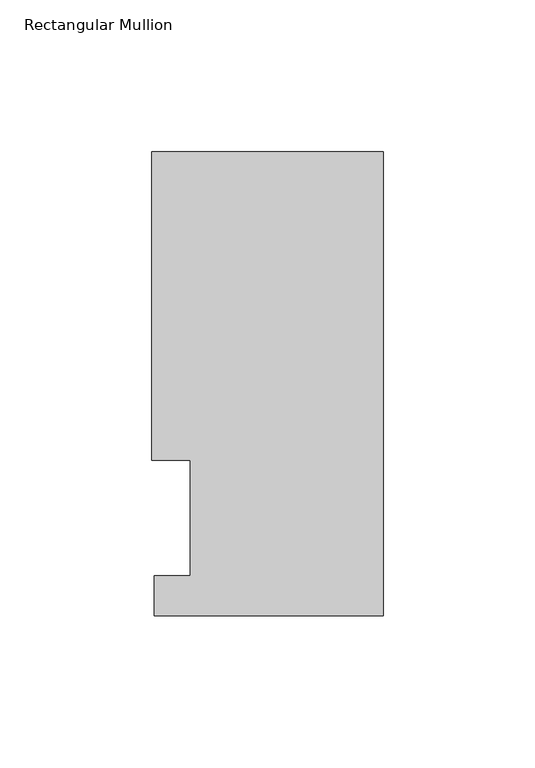
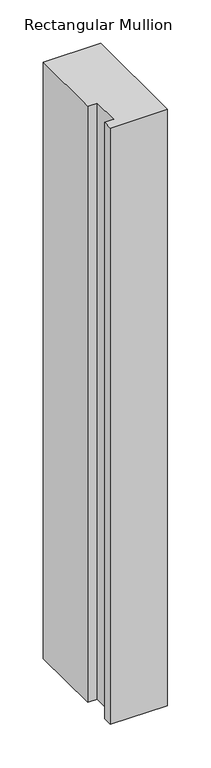
"""IFC4 building model written with IfcOpenShell, lengths in millimetres: member geometry, Rectangular Mullion."""

from ifc_helpers import new_model, si_unit, frame, origin, place, context, project, spatial, polyline, outline, extrude, source, transform, mapped, element, save


def rectangular_mullion_07bcb1c1(model_context):
    return source(origin(), model_context, "Body", "SweptSolid", [
        extrude(outline(polyline([(-76.2, 152.8960938), (0.0, 152.8960938), (0.0, 0.0084138), (-75.4126006, 0.0084138), (-75.4126006, 13.1960937), (-63.4999994, 13.1960937), (-63.4999994, 51.2960938), (-76.2, 51.2960938), (-76.2, 152.8960938)])), frame((0.0, 0.0, -838.2), z_axis=(0.0, 0.0, 1.0), x_axis=(1.0, 0.0, 0.0)), (0.0, 0.0, 1.0), 838.2),
    ])


if __name__ == "__main__":
    model = new_model("IFC4")
    model_context = context("Model", 3, world=origin())
    ifc_project = project(units=[si_unit("LENGTHUNIT", "METRE", prefix="MILLI")], contexts=[model_context])
    site = spatial("IfcSite", under=ifc_project)
    building = spatial("IfcBuilding", under=site)
    placement = place(None, origin())
    rectangular_mullion_shape = rectangular_mullion_07bcb1c1(model_context)
    element("IfcMember", 1, ObjectType="Rectangular Mullion", at=placement, inside=building, context=model_context, shape_type="MappedRepresentation", body=[
        mapped(rectangular_mullion_shape, transform((0.0, 0.0, 0.0), x_axis=(1.0, 0.0, 0.0), y_axis=(0.0, 1.0, 0.0), z_axis=(0.0, 0.0, 1.0))),
    ])
    save(model, "model.ifc")
